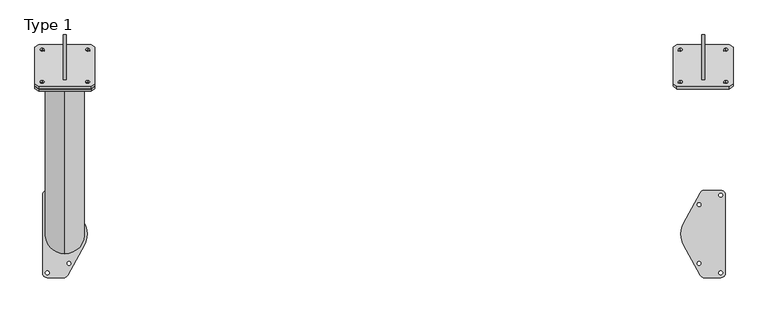
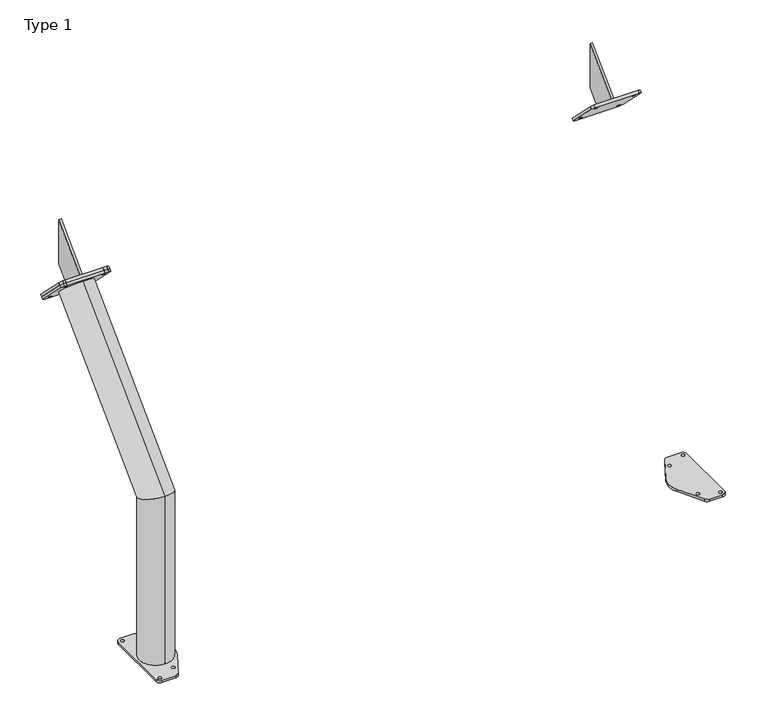
"""IFC4 building model written with IfcOpenShell, lengths in millimetres: proxy geometry, Type 1."""

from ifc_helpers import new_model, si_unit, point, frame, frame_2d, origin, origin_with_axes, place, context, project, spatial, polyline, circle_curve, ellipse_curve, trimmed, segment, composite_curve, outline, extrude, source, transform, mapped, element, save
from ifc_brep_helpers import plane_surface, cylinder_surface, revolved_surface, advanced_brep


def type_1_502184ff(model_context):
    return source(origin(), model_context, "Body", "SolidModel", [
        advanced_brep(
        [(0.0, -832.5, 12.0), (0.0, -997.5, 12.0), (0.0, -836.5, 12.0), (0.0, -993.5, 12.0), (0.0, -832.5, 831.6547622), (0.0, -997.5, 900.0), (0.0, -170.1812409, 1493.9735213), (0.0, -286.8538598, 1610.6461402), (-110.0, -308.421007, 1649.1838503), (110.0, -308.421007, 1649.1838503), (125.0, -297.8144053, 1638.5772485), (125.0, -142.2509134, 1483.0137566), (110.0, -131.6443117, 1472.4071549), (-110.0, -131.6443117, 1472.4071549), (-125.0, -142.2509134, 1483.0137566), (-125.0, -297.8144053, 1638.5772485), (-95.0, -281.5505589, 1622.3134021), (-95.0, -292.8642674, 1633.6271106), (-95.0, -147.2002705, 1487.9631137), (-95.0, -158.513979, 1499.2768222), (95.0, -147.2002705, 1487.9631137), (95.0, -158.513979, 1499.2768222), (95.0, -292.8642674, 1633.6271106), (95.0, -281.5505589, 1622.3134021), (-110.0, -316.9062884, 1640.6985689), (-125.0, -306.2996867, 1630.0919672), (-125.0, -150.7361948, 1474.5284753), (-110.0, -140.1295931, 1463.9218736), (110.0, -140.1295931, 1463.9218736), (125.0, -150.7361948, 1474.5284753), (125.0, -306.2996867, 1630.0919672), (110.0, -316.9062884, 1640.6985689), (-95.0, -290.0358403, 1613.8281208), (-95.0, -301.3495488, 1625.1418293), (-95.0, -155.6855519, 1479.4778323), (-95.0, -166.9992604, 1490.7915408), (95.0, -155.6855519, 1479.4778323), (95.0, -166.9992604, 1490.7915408), (95.0, -301.3495488, 1625.1418293), (95.0, -290.0358403, 1613.8281208), (0.0, -284.0254326, 1607.8177131), (0.0, -173.009668, 1496.8019485), (0.0, -836.5, 833.3116165), (0.0, -993.5, 898.3431458)],
        [
            (0, 1, circle_curve(frame((0.0, -915.0, 12.0), z_axis=(0.0, 0.0, -1.0), x_axis=(0.0, -1.0, 0.0)), 82.5)),
            (1, 0, circle_curve(frame((0.0, -915.0, 12.0), z_axis=(0.0, 0.0, -1.0), x_axis=(0.0, -1.0, 0.0)), 82.5)),
            (2, 3, circle_curve(frame((0.0, -915.0, 12.0), z_axis=(0.0, 0.0, 1.0), x_axis=(0.0, -1.0, 0.0)), 78.5)),
            (3, 2, circle_curve(frame((0.0, -915.0, 12.0), z_axis=(0.0, 0.0, 1.0), x_axis=(0.0, -1.0, 0.0)), 78.5)),
            (0, 4),
            (4, 5, ellipse_curve(frame((0.0, -915.0, 865.8273811), z_axis=(0.0, -0.38268343236508984, -0.9238795325112867), x_axis=(0.0, 0.9238795325112868, -0.3826834323650898)), 89.2973565, 82.5)),
            (5, 1),
            (5, 4, ellipse_curve(frame((0.0, -915.0, 865.8273811), z_axis=(0.0, -0.38268343236508984, -0.9238795325112867), x_axis=(0.0, 0.9238795325112868, -0.3826834323650898)), 89.2973565, 82.5)),
            (4, 6),
            (6, 7, circle_curve(frame((0.0, -228.5175503, 1552.3098308), z_axis=(0.0, -0.7071067811865476, -0.7071067811865476), x_axis=(0.0, -0.7071067811865476, 0.7071067811865476)), 82.5)),
            (7, 5),
            (7, 6, circle_curve(frame((0.0, -228.5175503, 1552.3098308), z_axis=(0.0, -0.7071067811865476, -0.7071067811865476), x_axis=(0.0, -0.7071067811865476, 0.7071067811865476)), 82.5)),
            (8, 9),
            (9, 10),
            (10, 11),
            (11, 12),
            (12, 13),
            (13, 14),
            (14, 15),
            (15, 8),
            (16, 17, circle_curve(frame((-95.0, -287.2074132, 1627.9702564), z_axis=(0.0, -0.7071067811865476, -0.7071067811865476), x_axis=(1.0, 0.0, 0.0)), 8.0)),
            (17, 16, circle_curve(frame((-95.0, -287.2074132, 1627.9702564), z_axis=(0.0, -0.7071067811865476, -0.7071067811865476), x_axis=(1.0, 0.0, 0.0)), 8.0)),
            (18, 19, circle_curve(frame((-95.0, -152.8571247, 1493.619968), z_axis=(0.0, -0.7071067811865476, -0.7071067811865476), x_axis=(1.0, 0.0, 0.0)), 8.0)),
            (19, 18, circle_curve(frame((-95.0, -152.8571247, 1493.619968), z_axis=(0.0, -0.7071067811865476, -0.7071067811865476), x_axis=(1.0, 0.0, 0.0)), 8.0)),
            (20, 21, circle_curve(frame((95.0, -152.8571247, 1493.619968), z_axis=(0.0, -0.7071067811865476, -0.7071067811865476), x_axis=(1.0, 0.0, 0.0)), 8.0)),
            (21, 20, circle_curve(frame((95.0, -152.8571247, 1493.619968), z_axis=(0.0, -0.7071067811865476, -0.7071067811865476), x_axis=(1.0, 0.0, 0.0)), 8.0)),
            (22, 23, circle_curve(frame((95.0, -287.2074132, 1627.9702564), z_axis=(0.0, -0.7071067811865476, -0.7071067811865476), x_axis=(1.0, 0.0, 0.0)), 8.0)),
            (23, 22, circle_curve(frame((95.0, -287.2074132, 1627.9702564), z_axis=(0.0, -0.7071067811865476, -0.7071067811865476), x_axis=(1.0, 0.0, 0.0)), 8.0)),
            (24, 25),
            (25, 26),
            (26, 27),
            (27, 28),
            (28, 29),
            (29, 30),
            (30, 31),
            (31, 24),
            (32, 33, circle_curve(frame((-95.0, -295.6926945, 1619.484975), z_axis=(0.0, 0.7071067811865476, 0.7071067811865476), x_axis=(1.0, 0.0, 0.0)), 8.0)),
            (33, 32, circle_curve(frame((-95.0, -295.6926945, 1619.484975), z_axis=(0.0, 0.7071067811865476, 0.7071067811865476), x_axis=(1.0, 0.0, 0.0)), 8.0)),
            (34, 35, circle_curve(frame((-95.0, -161.3424061, 1485.1346866), z_axis=(0.0, 0.7071067811865476, 0.7071067811865476), x_axis=(1.0, 0.0, 0.0)), 8.0)),
            (35, 34, circle_curve(frame((-95.0, -161.3424061, 1485.1346866), z_axis=(0.0, 0.7071067811865476, 0.7071067811865476), x_axis=(1.0, 0.0, 0.0)), 8.0)),
            (36, 37, circle_curve(frame((95.0, -161.3424061, 1485.1346866), z_axis=(0.0, 0.7071067811865476, 0.7071067811865476), x_axis=(1.0, 0.0, 0.0)), 8.0)),
            (37, 36, circle_curve(frame((95.0, -161.3424061, 1485.1346866), z_axis=(0.0, 0.7071067811865476, 0.7071067811865476), x_axis=(1.0, 0.0, 0.0)), 8.0)),
            (38, 39, circle_curve(frame((95.0, -295.6926945, 1619.484975), z_axis=(0.0, 0.7071067811865476, 0.7071067811865476), x_axis=(1.0, 0.0, 0.0)), 8.0)),
            (39, 38, circle_curve(frame((95.0, -295.6926945, 1619.484975), z_axis=(0.0, 0.7071067811865476, 0.7071067811865476), x_axis=(1.0, 0.0, 0.0)), 8.0)),
            (40, 41, circle_curve(frame((0.0, -228.5175503, 1552.3098308), z_axis=(0.0, -0.7071067811865476, -0.7071067811865476), x_axis=(0.0, -0.7071067811865476, 0.7071067811865476)), 78.5)),
            (41, 40, circle_curve(frame((0.0, -228.5175503, 1552.3098308), z_axis=(0.0, -0.7071067811865476, -0.7071067811865476), x_axis=(0.0, -0.7071067811865476, 0.7071067811865476)), 78.5)),
            (8, 24),
            (31, 9),
            (30, 10),
            (29, 11),
            (28, 12),
            (27, 13),
            (26, 14),
            (25, 15),
            (16, 32),
            (33, 17),
            (18, 34),
            (35, 19),
            (20, 36),
            (37, 21),
            (22, 38),
            (39, 23),
            (2, 42),
            (42, 43, ellipse_curve(frame((0.0, -915.0, 865.8273811), z_axis=(0.0, 0.38268343236508984, 0.9238795325112867), x_axis=(0.0, -0.9238795325112868, 0.3826834323650898)), 84.9677877, 78.5)),
            (43, 3),
            (43, 42, ellipse_curve(frame((0.0, -915.0, 865.8273811), z_axis=(0.0, 0.38268343236508984, 0.9238795325112867), x_axis=(0.0, -0.9238795325112868, 0.3826834323650898)), 84.9677877, 78.5)),
            (42, 41),
            (40, 43),
        ],
        [
            plane_surface(frame((0.0, -915.0, 12.0), z_axis=(0.0, 0.0, -1.0), x_axis=(1.0, 0.0, 0.0))),
            cylinder_surface(frame((0.0, -915.0, 12.0), z_axis=(0.0, 0.0, -1.0), x_axis=(0.0, -1.0, 0.0)), 82.5),
            cylinder_surface(frame((0.0, -915.0, 865.8273811), z_axis=(0.0, -0.7071067811865476, -0.7071067811865476), x_axis=(0.0, -0.7071067811865476, 0.7071067811865476)), 82.5),
            plane_surface(frame((110.0, -308.421007, 1649.1838503), z_axis=(0.0, 0.7071067811865476, 0.7071067811865476), x_axis=(1.0, 0.0, 0.0))),
            plane_surface(frame((110.0, -316.9062884, 1640.6985689), z_axis=(0.0, -0.7071067811865476, -0.7071067811865476), x_axis=(-1.0, 0.0, 0.0))),
            plane_surface(frame((-110.0, -308.421007, 1649.1838503), z_axis=(0.0, -0.7071067811865476, 0.7071067811865476), x_axis=(0.0, -0.7071067811865476, -0.7071067811865476))),
            plane_surface(frame((110.0, -308.421007, 1649.1838503), z_axis=(0.7071067811865595, -0.49999999999999156, 0.49999999999999156), x_axis=(0.0, -0.7071067811865476, -0.7071067811865476))),
            plane_surface(frame((125.0, -297.8144053, 1638.5772485), z_axis=(1.0000000000000002, 0.0, 0.0), x_axis=(0.0, -0.7071067811865476, -0.7071067811865476))),
            plane_surface(frame((125.0, -142.2509134, 1483.0137566), z_axis=(0.707106781186533, 0.5000000000000104, -0.5000000000000104), x_axis=(0.0, -0.7071067811865476, -0.7071067811865476))),
            plane_surface(frame((110.0, -131.6443117, 1472.4071549), z_axis=(0.0, 0.7071067811865476, -0.7071067811865476), x_axis=(0.0, -0.7071067811865476, -0.7071067811865476))),
            plane_surface(frame((-110.0, -131.6443117, 1472.4071549), z_axis=(-0.7071067811865401, 0.5000000000000053, -0.5000000000000053), x_axis=(0.0, -0.7071067811865476, -0.7071067811865476))),
            plane_surface(frame((-125.0, -142.2509134, 1483.0137566), z_axis=(-1.0000000000000002, 0.0, 0.0), x_axis=(0.0, -0.7071067811865476, -0.7071067811865476))),
            plane_surface(frame((-125.0, -297.8144053, 1638.5772485), z_axis=(-0.7071067811865421, -0.500000000000004, 0.500000000000004), x_axis=(0.0, -0.7071067811865476, -0.7071067811865476))),
            revolved_surface(polyline([(-87.0, -295.6926945000001, 1619.484975), (-87.0, -287.20741315, 1627.97025635)]), (-95.0, -295.6926945, 1619.484975), (0.0, -0.7071067811865476, -0.7071067811865476)),
            revolved_surface(polyline([(-87.0, -161.34240615, 1485.13468655), (-87.0, -152.85712469999996, 1493.619968)]), (-95.0, -161.3424061, 1485.1346866), (0.0, -0.7071067811865476, -0.7071067811865476)),
            revolved_surface(polyline([(103.0, -161.34240615, 1485.13468655), (103.0, -152.85712469999996, 1493.619968)]), (95.0, -161.3424061, 1485.1346866), (0.0, -0.7071067811865476, -0.7071067811865476)),
            revolved_surface(polyline([(103.0, -295.6926945000001, 1619.484975), (103.0, -287.20741315, 1627.97025635)]), (95.0, -295.6926945, 1619.484975), (0.0, -0.7071067811865476, -0.7071067811865476)),
            revolved_surface(polyline([(0.0, -993.5, 898.3431458), (0.0, -993.5, 12.0)]), (0.0, -915.0, 12.0), (0.0, 0.0, 1.0)),
            revolved_surface(polyline([(0.0, -284.02543262314396, 1607.8177131231441), (0.0, -993.4999999937891, 898.343145752499)]), (0.0, -915.0, 865.8273811), (0.0, 0.7071067811865476, 0.7071067811865476)),
        ],
        [
            (0, [[1, 2], [3, 4]]),
            (1, [[-1, 5, 6, 7]]),
            (1, [[-2, -7, 8, -5]]),
            (2, [[-6, 9, 10, 11]]),
            (2, [[-8, -11, 12, -9]]),
            (3, [[13, 14, 15, 16, 17, 18, 19, 20], [21, 22], [23, 24], [25, 26], [27, 28]]),
            (4, [[29, 30, 31, 32, 33, 34, 35, 36], [-10, -12], [37, 38], [39, 40], [41, 42], [43, 44]]),
            (4, [[45, 46]]),
            (5, [[-13, 47, -36, 48]]),
            (6, [[-14, -48, -35, 49]]),
            (7, [[-15, -49, -34, 50]]),
            (8, [[-16, -50, -33, 51]]),
            (9, [[-17, -51, -32, 52]]),
            (10, [[-18, -52, -31, 53]]),
            (11, [[-19, -53, -30, 54]]),
            (12, [[-20, -54, -29, -47]]),
            (13, [[-21, 55, -38, 56]]),
            (13, [[-22, -56, -37, -55]]),
            (14, [[-23, 57, -40, 58]]),
            (14, [[-24, -58, -39, -57]]),
            (15, [[-25, 59, -42, 60]]),
            (15, [[-26, -60, -41, -59]]),
            (16, [[-27, 61, -44, 62]]),
            (16, [[-28, -62, -43, -61]]),
            (17, [[-3, 63, 64, 65]]),
            (17, [[-4, -65, 66, -63]]),
            (18, [[-64, 67, -45, 68]]),
            (18, [[-66, -68, -46, -67]]),
        ],
    ),
        advanced_brep(
        [(6.0, -82.5, 1815.0), (6.0, -269.883297, 1627.616703), (6.0, -153.2106781, 1510.9440841), (6.0, -82.5, 1581.6547622), (-6.0, -82.5, 1815.0), (-6.0, -82.5, 1581.6547622), (-6.0, -153.2106781, 1510.9440841), (-6.0, -269.883297, 1627.616703), (-110.0, -308.4206166, 1649.1834598), (-125.0, -297.8140149, 1638.5768581), (-125.0, -142.250523, 1483.0133662), (-110.0, -131.6439213, 1472.4067645), (110.0, -131.6439213, 1472.4067645), (125.0, -142.250523, 1483.0133662), (125.0, -297.8140149, 1638.5768581), (110.0, -308.4206166, 1649.1834598), (-95.0, -281.5505589, 1622.3134021), (-95.0, -292.8642674, 1633.6271106), (-95.0, -147.2002705, 1487.9631137), (-95.0, -158.513979, 1499.2768222), (95.0, -147.2002705, 1487.9631137), (95.0, -158.513979, 1499.2768222), (95.0, -281.5505589, 1622.3134021), (95.0, -292.8642674, 1633.6271106), (-110.0, -299.9353352, 1657.6687412), (110.0, -299.9353352, 1657.6687412), (125.0, -289.3287335, 1647.0621395), (125.0, -133.7652416, 1491.4986476), (110.0, -123.1586399, 1480.8920459), (-110.0, -123.1586399, 1480.8920459), (-125.0, -133.7652416, 1491.4986476), (-125.0, -289.3287335, 1647.0621395), (-95.0, -273.0652775, 1630.7986835), (-95.0, -284.378986, 1642.112392), (-95.0, -138.7149891, 1496.4483951), (-95.0, -150.0286976, 1507.7621036), (95.0, -138.7149891, 1496.4483951), (95.0, -150.0286976, 1507.7621036), (95.0, -273.0652775, 1630.7986835), (95.0, -284.378986, 1642.112392)],
        [
            (0, 1),
            (1, 2),
            (2, 3),
            (3, 0),
            (4, 5),
            (5, 6),
            (6, 7),
            (7, 4),
            (0, 4),
            (7, 1),
            (2, 6),
            (5, 3),
            (8, 9),
            (9, 10),
            (10, 11),
            (11, 12),
            (12, 13),
            (13, 14),
            (14, 15),
            (15, 8),
            (16, 17, circle_curve(frame((-95.0, -287.2074132, 1627.9702564), z_axis=(0.0, 0.7071067811865456, 0.7071067811865495), x_axis=(0.0, -0.7071067811865495, 0.7071067811865456)), 8.0)),
            (17, 16, circle_curve(frame((-95.0, -287.2074132, 1627.9702564), z_axis=(0.0, 0.7071067811865456, 0.7071067811865495), x_axis=(0.0, -0.7071067811865495, 0.7071067811865456)), 8.0)),
            (18, 19, circle_curve(frame((-95.0, -152.8571247, 1493.619968), z_axis=(0.0, 0.7071067811865456, 0.7071067811865495), x_axis=(0.0, -0.7071067811865495, 0.7071067811865456)), 8.0)),
            (19, 18, circle_curve(frame((-95.0, -152.8571247, 1493.619968), z_axis=(0.0, 0.7071067811865456, 0.7071067811865495), x_axis=(0.0, -0.7071067811865495, 0.7071067811865456)), 8.0)),
            (20, 21, circle_curve(frame((95.0, -152.8571247, 1493.619968), z_axis=(0.0, 0.7071067811865456, 0.7071067811865495), x_axis=(0.0, -0.7071067811865495, 0.7071067811865456)), 8.0)),
            (21, 20, circle_curve(frame((95.0, -152.8571247, 1493.619968), z_axis=(0.0, 0.7071067811865456, 0.7071067811865495), x_axis=(0.0, -0.7071067811865495, 0.7071067811865456)), 8.0)),
            (22, 23, circle_curve(frame((95.0, -287.2074132, 1627.9702564), z_axis=(0.0, 0.7071067811865456, 0.7071067811865495), x_axis=(0.0, -0.7071067811865495, 0.7071067811865456)), 8.0)),
            (23, 22, circle_curve(frame((95.0, -287.2074132, 1627.9702564), z_axis=(0.0, 0.7071067811865456, 0.7071067811865495), x_axis=(0.0, -0.7071067811865495, 0.7071067811865456)), 8.0)),
            (24, 25),
            (25, 26),
            (26, 27),
            (27, 28),
            (28, 29),
            (29, 30),
            (30, 31),
            (31, 24),
            (32, 33, circle_curve(frame((-95.0, -278.7221318, 1636.4555378), z_axis=(0.0, -0.7071067811865456, -0.7071067811865495), x_axis=(0.0, -0.7071067811865495, 0.7071067811865456)), 8.0)),
            (33, 32, circle_curve(frame((-95.0, -278.7221318, 1636.4555378), z_axis=(0.0, -0.7071067811865456, -0.7071067811865495), x_axis=(0.0, -0.7071067811865495, 0.7071067811865456)), 8.0)),
            (34, 35, circle_curve(frame((-95.0, -144.3718434, 1502.1052493), z_axis=(0.0, -0.7071067811865456, -0.7071067811865495), x_axis=(0.0, -0.7071067811865495, 0.7071067811865456)), 8.0)),
            (35, 34, circle_curve(frame((-95.0, -144.3718434, 1502.1052493), z_axis=(0.0, -0.7071067811865456, -0.7071067811865495), x_axis=(0.0, -0.7071067811865495, 0.7071067811865456)), 8.0)),
            (36, 37, circle_curve(frame((95.0, -144.3718434, 1502.1052493), z_axis=(0.0, -0.7071067811865456, -0.7071067811865495), x_axis=(0.0, -0.7071067811865495, 0.7071067811865456)), 8.0)),
            (37, 36, circle_curve(frame((95.0, -144.3718434, 1502.1052493), z_axis=(0.0, -0.7071067811865456, -0.7071067811865495), x_axis=(0.0, -0.7071067811865495, 0.7071067811865456)), 8.0)),
            (38, 39, circle_curve(frame((95.0, -278.7221318, 1636.4555378), z_axis=(0.0, -0.7071067811865456, -0.7071067811865495), x_axis=(0.0, -0.7071067811865495, 0.7071067811865456)), 8.0)),
            (39, 38, circle_curve(frame((95.0, -278.7221318, 1636.4555378), z_axis=(0.0, -0.7071067811865456, -0.7071067811865495), x_axis=(0.0, -0.7071067811865495, 0.7071067811865456)), 8.0)),
            (8, 24),
            (31, 9),
            (30, 10),
            (29, 11),
            (28, 12),
            (27, 13),
            (26, 14),
            (25, 15),
            (16, 32),
            (33, 17),
            (18, 34),
            (35, 19),
            (20, 36),
            (37, 21),
            (22, 38),
            (39, 23),
        ],
        [
            plane_surface(frame((6.0, -269.883297, 1627.616703), z_axis=(1.0, 0.0, 0.0), x_axis=(0.0, -0.7071067811865375, -0.7071067811865576))),
            plane_surface(frame((-6.0, -269.883297, 1627.616703), z_axis=(-1.0, 0.0, 0.0), x_axis=(0.0, 0.7071067811865375, 0.7071067811865576))),
            plane_surface(frame((6.0, -82.5, 1815.0), z_axis=(0.0, -0.7071067811865576, 0.7071067811865375), x_axis=(-1.0, 0.0, 0.0))),
            plane_surface(frame((6.0, -153.2106781, 1510.9440841), z_axis=(0.0, 0.7071067811865466, -0.7071067811865485), x_axis=(-1.0, 0.0, 0.0))),
            plane_surface(frame((6.0, -82.5, 1581.6547622), z_axis=(0.0, 1.0, 0.0), x_axis=(-1.0, 0.0, 0.0))),
            plane_surface(frame((-125.0, -297.8140149, 1638.5768581), z_axis=(0.0, -0.7071067811865456, -0.7071067811865495), x_axis=(-0.7071067811865512, 0.4999999999999987, -0.49999999999999595))),
            plane_surface(frame((-125.0, -289.3287335, 1647.0621395), z_axis=(0.0, 0.7071067811865456, 0.7071067811865495), x_axis=(0.7071067811865512, -0.4999999999999987, 0.49999999999999595))),
            plane_surface(frame((-110.0, -308.4206166, 1649.1834598), z_axis=(-0.7071067811865439, -0.5000000000000038, 0.5000000000000017), x_axis=(0.0, 0.7071067811865461, 0.707106781186549))),
            plane_surface(frame((-125.0, -297.8140149, 1638.5768581), z_axis=(-1.0, 0.0, 0.0), x_axis=(0.0, 0.7071067811865461, 0.707106781186549))),
            plane_surface(frame((-125.0, -142.250523, 1483.0133662), z_axis=(-0.7071067811865441, 0.5000000000000033, -0.500000000000002), x_axis=(0.0, 0.7071067811865476, 0.7071067811865476))),
            plane_surface(frame((-110.0, -131.6439213, 1472.4067645), z_axis=(0.0, 0.7071067811865503, -0.7071067811865447), x_axis=(0.0, 0.7071067811865447, 0.7071067811865503))),
            plane_surface(frame((110.0, -131.6439213, 1472.4067645), z_axis=(0.7071067811865449, 0.500000000000003, -0.500000000000001), x_axis=(0.0, 0.7071067811865461, 0.707106781186549))),
            plane_surface(frame((125.0, -142.250523, 1483.0133662), z_axis=(1.0, 0.0, 0.0), x_axis=(0.0, 0.7071067811865447, 0.7071067811865503))),
            plane_surface(frame((125.0, -297.8140149, 1638.5768581), z_axis=(0.7071067811865447, -0.5000000000000032, 0.5000000000000012), x_axis=(0.0, 0.7071067811865461, 0.707106781186549))),
            plane_surface(frame((110.0, -308.4206166, 1649.1834598), z_axis=(0.0, -0.7071067811865476, 0.7071067811865476), x_axis=(0.0, 0.7071067811865476, 0.7071067811865476))),
            revolved_surface(polyline([(-95.0, -284.37898604949237, 1642.1123920494924), (-95.0, -292.8642674494924, 1633.6271106494924)]), (-95.0, -278.7221318, 1636.4555378), (0.0, 0.7071067811865456, 0.7071067811865495)),
            revolved_surface(polyline([(-95.0, -150.02869759949232, 1507.7621035994925), (-95.0, -158.51397899949242, 1499.2768221994922)]), (-95.0, -144.3718434, 1502.1052493), (0.0, 0.7071067811865456, 0.7071067811865495)),
            revolved_surface(polyline([(95.0, -150.02869759949232, 1507.7621035994925), (95.0, -158.51397899949242, 1499.2768221994922)]), (95.0, -144.3718434, 1502.1052493), (0.0, 0.7071067811865456, 0.7071067811865495)),
            revolved_surface(polyline([(95.0, -284.37898604949237, 1642.1123920494924), (95.0, -292.8642674494924, 1633.6271106494924)]), (95.0, -278.7221318, 1636.4555378), (0.0, 0.7071067811865456, 0.7071067811865495)),
        ],
        [
            (0, [[1, 2, 3, 4]]),
            (1, [[5, 6, 7, 8]]),
            (2, [[-1, 9, -8, 10]]),
            (3, [[-3, 11, -6, 12]]),
            (4, [[-4, -12, -5, -9]]),
            (5, [[13, 14, 15, 16, 17, 18, 19, 20], [21, 22], [23, 24], [25, 26], [27, 28]]),
            (6, [[29, 30, 31, 32, 33, 34, 35, 36], [-2, -10, -7, -11], [37, 38], [39, 40], [41, 42], [43, 44]]),
            (7, [[-13, 45, -36, 46]]),
            (8, [[-14, -46, -35, 47]]),
            (9, [[-15, -47, -34, 48]]),
            (10, [[-16, -48, -33, 49]]),
            (11, [[-17, -49, -32, 50]]),
            (12, [[-18, -50, -31, 51]]),
            (13, [[-19, -51, -30, 52]]),
            (14, [[-20, -52, -29, -45]]),
            (15, [[-21, 53, -38, 54]]),
            (15, [[-22, -54, -37, -53]]),
            (16, [[-23, 55, -40, 56]]),
            (16, [[-24, -56, -39, -55]]),
            (17, [[-25, 57, -42, 58]]),
            (17, [[-26, -58, -41, -57]]),
            (18, [[-27, 59, -44, 60]]),
            (18, [[-28, -60, -43, -59]]),
        ],
    ),
        advanced_brep(
        [(2671.0, -82.5, 1815.0), (2671.0, -269.883297, 1627.616703), (2671.0, -153.2106781, 1510.9440841), (2671.0, -82.5, 1581.6547622), (2659.0, -82.5, 1815.0), (2659.0, -82.5, 1581.6547622), (2659.0, -153.2106781, 1510.9440841), (2659.0, -269.883297, 1627.616703), (2790.0, -297.8140149, 1638.5768581), (2775.0, -308.4206166, 1649.1834598), (2555.0, -308.4206166, 1649.1834598), (2540.0, -297.8140149, 1638.5768581), (2540.0, -142.250523, 1483.0133662), (2555.0, -131.6439213, 1472.4067645), (2775.0, -131.6439213, 1472.4067645), (2790.0, -142.250523, 1483.0133662), (2570.0, -292.8642674, 1633.6271106), (2570.0, -281.5505589, 1622.3134021), (2570.0, -158.513979, 1499.2768222), (2570.0, -147.2002705, 1487.9631137), (2760.0, -158.513979, 1499.2768222), (2760.0, -147.2002705, 1487.9631137), (2760.0, -292.8642674, 1633.6271106), (2760.0, -281.5505589, 1622.3134021), (2790.0, -289.3287335, 1647.0621395), (2790.0, -133.7652416, 1491.4986476), (2775.0, -123.1586399, 1480.8920459), (2555.0, -123.1586399, 1480.8920459), (2540.0, -133.7652416, 1491.4986476), (2540.0, -289.3287335, 1647.0621395), (2555.0, -299.9353352, 1657.6687412), (2775.0, -299.9353352, 1657.6687412), (2570.0, -284.378986, 1642.112392), (2570.0, -273.0652775, 1630.7986835), (2570.0, -150.0286976, 1507.7621036), (2570.0, -138.7149891, 1496.4483951), (2760.0, -150.0286976, 1507.7621036), (2760.0, -138.7149891, 1496.4483951), (2760.0, -284.378986, 1642.112392), (2760.0, -273.0652775, 1630.7986835)],
        [
            (0, 1),
            (1, 2),
            (2, 3),
            (3, 0),
            (4, 5),
            (5, 6),
            (6, 7),
            (7, 4),
            (0, 4),
            (7, 1),
            (2, 6),
            (5, 3),
            (8, 9),
            (9, 10),
            (10, 11),
            (11, 12),
            (12, 13),
            (13, 14),
            (14, 15),
            (15, 8),
            (16, 17, circle_curve(frame((2570.0, -287.2074132, 1627.9702564), z_axis=(0.0, 0.7071067811865867, 0.7071067811865085), x_axis=(0.0, 0.7071067811865085, -0.7071067811865867)), 8.0)),
            (17, 16, circle_curve(frame((2570.0, -287.2074132, 1627.9702564), z_axis=(0.0, 0.7071067811865867, 0.7071067811865085), x_axis=(0.0, 0.7071067811865085, -0.7071067811865867)), 8.0)),
            (18, 19, circle_curve(frame((2570.0, -152.8571247, 1493.619968), z_axis=(0.0, 0.7071067811865867, 0.7071067811865085), x_axis=(0.0, 0.7071067811865085, -0.7071067811865867)), 8.0)),
            (19, 18, circle_curve(frame((2570.0, -152.8571247, 1493.619968), z_axis=(0.0, 0.7071067811865867, 0.7071067811865085), x_axis=(0.0, 0.7071067811865085, -0.7071067811865867)), 8.0)),
            (20, 21, circle_curve(frame((2760.0, -152.8571247, 1493.619968), z_axis=(0.0, 0.7071067811865867, 0.7071067811865085), x_axis=(0.0, 0.7071067811865085, -0.7071067811865867)), 8.0)),
            (21, 20, circle_curve(frame((2760.0, -152.8571247, 1493.619968), z_axis=(0.0, 0.7071067811865867, 0.7071067811865085), x_axis=(0.0, 0.7071067811865085, -0.7071067811865867)), 8.0)),
            (22, 23, circle_curve(frame((2760.0, -287.2074132, 1627.9702564), z_axis=(0.0, 0.7071067811865867, 0.7071067811865085), x_axis=(0.0, 0.7071067811865085, -0.7071067811865867)), 8.0)),
            (23, 22, circle_curve(frame((2760.0, -287.2074132, 1627.9702564), z_axis=(0.0, 0.7071067811865867, 0.7071067811865085), x_axis=(0.0, 0.7071067811865085, -0.7071067811865867)), 8.0)),
            (24, 25),
            (25, 26),
            (26, 27),
            (27, 28),
            (28, 29),
            (29, 30),
            (30, 31),
            (31, 24),
            (32, 33, circle_curve(frame((2570.0, -278.7221318, 1636.4555378), z_axis=(0.0, -0.7071067811865867, -0.7071067811865085), x_axis=(0.0, 0.7071067811865085, -0.7071067811865867)), 8.0)),
            (33, 32, circle_curve(frame((2570.0, -278.7221318, 1636.4555378), z_axis=(0.0, -0.7071067811865867, -0.7071067811865085), x_axis=(0.0, 0.7071067811865085, -0.7071067811865867)), 8.0)),
            (34, 35, circle_curve(frame((2570.0, -144.3718434, 1502.1052493), z_axis=(0.0, -0.7071067811865867, -0.7071067811865085), x_axis=(0.0, 0.7071067811865085, -0.7071067811865867)), 8.0)),
            (35, 34, circle_curve(frame((2570.0, -144.3718434, 1502.1052493), z_axis=(0.0, -0.7071067811865867, -0.7071067811865085), x_axis=(0.0, 0.7071067811865085, -0.7071067811865867)), 8.0)),
            (36, 37, circle_curve(frame((2760.0, -144.3718434, 1502.1052493), z_axis=(0.0, -0.7071067811865867, -0.7071067811865085), x_axis=(0.0, 0.7071067811865085, -0.7071067811865867)), 8.0)),
            (37, 36, circle_curve(frame((2760.0, -144.3718434, 1502.1052493), z_axis=(0.0, -0.7071067811865867, -0.7071067811865085), x_axis=(0.0, 0.7071067811865085, -0.7071067811865867)), 8.0)),
            (38, 39, circle_curve(frame((2760.0, -278.7221318, 1636.4555378), z_axis=(0.0, -0.7071067811865867, -0.7071067811865085), x_axis=(0.0, 0.7071067811865085, -0.7071067811865867)), 8.0)),
            (39, 38, circle_curve(frame((2760.0, -278.7221318, 1636.4555378), z_axis=(0.0, -0.7071067811865867, -0.7071067811865085), x_axis=(0.0, 0.7071067811865085, -0.7071067811865867)), 8.0)),
            (8, 24),
            (31, 9),
            (30, 10),
            (29, 11),
            (28, 12),
            (27, 13),
            (26, 14),
            (25, 15),
            (16, 32),
            (33, 17),
            (18, 34),
            (35, 19),
            (20, 36),
            (37, 21),
            (22, 38),
            (39, 23),
        ],
        [
            plane_surface(frame((2671.0, -82.5, 1815.0), z_axis=(1.0000000000000002, 0.0, 0.0), x_axis=(0.0, -0.7071067811865771, -0.707106781186518))),
            plane_surface(frame((2659.0, -82.5, 1815.0), z_axis=(-1.0000000000000002, 0.0, 0.0), x_axis=(0.0, 0.7071067811865771, 0.707106781186518))),
            plane_surface(frame((2671.0, -82.5, 1815.0), z_axis=(0.0, -0.707106781186518, 0.7071067811865771), x_axis=(-1.0, 0.0, 0.0))),
            plane_surface(frame((2671.0, -153.2106781, 1510.9440841), z_axis=(0.0, 0.7071067811865321, -0.7071067811865629), x_axis=(-1.0, 0.0, 0.0))),
            plane_surface(frame((2671.0, -82.5, 1581.6547622), z_axis=(0.0, 1.0, 0.0), x_axis=(-1.0, 0.0, 0.0))),
            plane_surface(frame((2775.0, -308.4206166, 1649.1834598), z_axis=(0.0, -0.7071067811865867, -0.7071067811865086), x_axis=(-0.7071067811864251, -0.500000000000058, 0.5000000000001151))),
            plane_surface(frame((2775.0, -299.9353352, 1657.6687412), z_axis=(0.0, 0.7071067811865867, 0.7071067811865086), x_axis=(0.7071067811864251, 0.500000000000058, -0.5000000000001151))),
            plane_surface(frame((2790.0, -297.8140149, 1638.5768581), z_axis=(0.70710678118667, -0.4999999999998846, 0.4999999999999424), x_axis=(0.0, 0.7071067811865884, 0.7071067811865067))),
            plane_surface(frame((2775.0, -308.4206166, 1649.1834598), z_axis=(0.0, -0.7071067811865067, 0.7071067811865884), x_axis=(0.0, 0.7071067811865884, 0.7071067811865067))),
            plane_surface(frame((2555.0, -308.4206166, 1649.1834598), z_axis=(-0.7071067811865474, -0.4999999999999704, 0.5000000000000302), x_axis=(0.0, 0.7071067811865899, 0.7071067811865053))),
            plane_surface(frame((2540.0, -297.8140149, 1638.5768581), z_axis=(-1.0, 0.0, 0.0), x_axis=(0.0, 0.7071067811865884, 0.7071067811865067))),
            plane_surface(frame((2540.0, -142.250523, 1483.0133662), z_axis=(-0.7071067811865088, 0.4999999999999995, -0.5000000000000553), x_axis=(0.0, 0.707106781186587, 0.707106781186508))),
            plane_surface(frame((2555.0, -131.6439213, 1472.4067645), z_axis=(0.0, 0.7071067811865067, -0.7071067811865884), x_axis=(0.0, 0.7071067811865884, 0.7071067811865067))),
            plane_surface(frame((2775.0, -131.6439213, 1472.4067645), z_axis=(0.7071067811866893, 0.499999999999871, -0.4999999999999288), x_axis=(0.0, 0.7071067811865884, 0.7071067811865067))),
            plane_surface(frame((2790.0, -142.250523, 1483.0133662), z_axis=(1.0, 0.0, 0.0), x_axis=(0.0, 0.7071067811865884, 0.7071067811865067))),
            revolved_surface(polyline([(2570.0, -273.06527755050763, 1630.7986835505076), (2570.0, -281.55055895050873, 1622.3134021505075)]), (2570.0, -278.7221318, 1636.4555378), (0.0, 0.7071067811865867, 0.7071067811865085)),
            revolved_surface(polyline([(2570.0, -138.7149891005076, 1496.4483951005077), (2570.0, -147.20027050050874, 1487.9631137005074)]), (2570.0, -144.3718434, 1502.1052493), (0.0, 0.7071067811865867, 0.7071067811865085)),
            revolved_surface(polyline([(2760.0, -138.7149891005076, 1496.4483951005077), (2760.0, -147.20027050050874, 1487.9631137005074)]), (2760.0, -144.3718434, 1502.1052493), (0.0, 0.7071067811865867, 0.7071067811865085)),
            revolved_surface(polyline([(2760.0, -273.06527755050763, 1630.7986835505076), (2760.0, -281.55055895050873, 1622.3134021505075)]), (2760.0, -278.7221318, 1636.4555378), (0.0, 0.7071067811865867, 0.7071067811865085)),
        ],
        [
            (0, [[1, 2, 3, 4]]),
            (1, [[5, 6, 7, 8]]),
            (2, [[-1, 9, -8, 10]]),
            (3, [[-3, 11, -6, 12]]),
            (4, [[-4, -12, -5, -9]]),
            (5, [[13, 14, 15, 16, 17, 18, 19, 20], [21, 22], [23, 24], [25, 26], [27, 28]]),
            (6, [[29, 30, 31, 32, 33, 34, 35, 36], [-2, -10, -7, -11], [37, 38], [39, 40], [41, 42], [43, 44]]),
            (7, [[-13, 45, -36, 46]]),
            (8, [[-14, -46, -35, 47]]),
            (9, [[-15, -47, -34, 48]]),
            (10, [[-16, -48, -33, 49]]),
            (11, [[-17, -49, -32, 50]]),
            (12, [[-18, -50, -31, 51]]),
            (13, [[-19, -51, -30, 52]]),
            (14, [[-20, -52, -29, -45]]),
            (15, [[-21, 53, -38, 54]]),
            (15, [[-22, -54, -37, -53]]),
            (16, [[-23, 55, -40, 56]]),
            (16, [[-24, -56, -39, -55]]),
            (17, [[-25, 57, -42, 58]]),
            (17, [[-26, -58, -41, -57]]),
            (18, [[-27, 59, -44, 60]]),
            (18, [[-28, -60, -43, -59]]),
        ],
    ),
        extrude(outline(composite_curve([segment(trimmed(circle_curve(frame_2d((-73.0, -1077.5)), 20.0), [point((-73.0, -1097.5))], [point((-93.0, -1077.5))], False, "CARTESIAN"), True, "CONTINUOUS"), segment(polyline([(-93.0, -1077.5), (-93.0, -752.5)]), True, "CONTINUOUS"), segment(trimmed(circle_curve(frame_2d((-73.0, -752.5)), 20.0), [point((-93.0, -752.5))], [point((-73.0, -732.5))], False, "CARTESIAN"), True, "CONTINUOUS"), segment(polyline([(-73.0, -732.5), (-4.9864553, -732.5)]), True, "CONTINUOUS"), segment(trimmed(circle_curve(frame_2d((-4.9864553, -752.5)), 20.0), [point((-4.9864553, -732.5))], [point((12.6046976, -742.9841532))], False, "CARTESIAN"), True, "CONTINUOUS"), segment(polyline([(12.6046976, -742.9841532), (80.3527559, -868.224343)]), True, "CONTINUOUS"), segment(trimmed(circle_curve(frame_2d((0.0, -915.0477839)), 93.0), [point((80.3527559, -868.224343))], [point((80.3527559, -961.8712248))], False, "CARTESIAN"), True, "CONTINUOUS"), segment(polyline([(80.3527559, -961.8712248), (12.6563945, -1087.0158468)]), True, "CONTINUOUS"), segment(trimmed(circle_curve(frame_2d((-4.9347584, -1077.5)), 20.0), [point((12.6563945, -1087.0158468))], [point((-4.9347584, -1097.5))], False, "CARTESIAN"), True, "CONTINUOUS"), segment(polyline([(-4.9347584, -1097.5), (-73.0, -1097.5)]), True, "CONTINUOUS")], self_intersect=False), holes=[composite_curve([segment(trimmed(circle_curve(frame_2d((17.0, -792.0)), 8.0), [point((9.0, -792.0))], [point((25.0, -792.0))], True, "CARTESIAN"), True, "CONTINUOUS"), segment(trimmed(circle_curve(frame_2d((17.0, -792.0)), 8.0), [point((25.0, -792.0))], [point((9.0, -792.0))], True, "CARTESIAN"), True, "CONTINUOUS")], self_intersect=False), composite_curve([segment(trimmed(circle_curve(frame_2d((-73.0, -1077.5)), 8.0), [point((-81.0, -1077.5))], [point((-65.0, -1077.5))], True, "CARTESIAN"), True, "CONTINUOUS"), segment(trimmed(circle_curve(frame_2d((-73.0, -1077.5)), 8.0), [point((-65.0, -1077.5))], [point((-81.0, -1077.5))], True, "CARTESIAN"), True, "CONTINUOUS")], self_intersect=False), composite_curve([segment(trimmed(circle_curve(frame_2d((-73.0, -752.5)), 8.0), [point((-81.0, -752.5))], [point((-65.0, -752.5))], True, "CARTESIAN"), True, "CONTINUOUS"), segment(trimmed(circle_curve(frame_2d((-73.0, -752.5)), 8.0), [point((-65.0, -752.5))], [point((-81.0, -752.5))], True, "CARTESIAN"), True, "CONTINUOUS")], self_intersect=False), composite_curve([segment(trimmed(circle_curve(frame_2d((17.0, -1038.0)), 8.0), [point((9.0, -1038.0))], [point((25.0, -1038.0))], True, "CARTESIAN"), True, "CONTINUOUS"), segment(trimmed(circle_curve(frame_2d((17.0, -1038.0)), 8.0), [point((25.0, -1038.0))], [point((9.0, -1038.0))], True, "CARTESIAN"), True, "CONTINUOUS")], self_intersect=False)]), origin_with_axes(), (0.0, 0.0, 1.0), 12.0),
        extrude(outline(composite_curve([segment(polyline([(2738.0, -1097.5), (2669.9347584, -1097.5)]), True, "CONTINUOUS"), segment(trimmed(circle_curve(frame_2d((2669.9347584, -1077.5)), 20.0), [point((2669.9347584, -1097.5))], [point((2652.3436055, -1087.0158468))], False, "CARTESIAN"), True, "CONTINUOUS"), segment(polyline([(2652.3436055, -1087.0158468), (2584.6472441, -961.8712248)]), True, "CONTINUOUS"), segment(trimmed(circle_curve(frame_2d((2665.0, -915.0477839)), 93.0), [point((2584.6472441, -961.8712248))], [point((2584.6472441, -868.224343))], False, "CARTESIAN"), True, "CONTINUOUS"), segment(polyline([(2584.6472441, -868.224343), (2652.3953024, -742.9841532)]), True, "CONTINUOUS"), segment(trimmed(circle_curve(frame_2d((2669.9864553, -752.5)), 20.0), [point((2652.3953024, -742.9841532))], [point((2669.9864553, -732.5))], False, "CARTESIAN"), True, "CONTINUOUS"), segment(polyline([(2669.9864553, -732.5), (2738.0, -732.5)]), True, "CONTINUOUS"), segment(trimmed(circle_curve(frame_2d((2738.0, -752.5)), 20.0), [point((2738.0, -732.5))], [point((2758.0, -752.5))], False, "CARTESIAN"), True, "CONTINUOUS"), segment(polyline([(2758.0, -752.5), (2758.0, -1077.5)]), True, "CONTINUOUS"), segment(trimmed(circle_curve(frame_2d((2738.0, -1077.5)), 20.0), [point((2758.0, -1077.5))], [point((2738.0, -1097.5))], False, "CARTESIAN"), True, "CONTINUOUS")], self_intersect=False), holes=[composite_curve([segment(trimmed(circle_curve(frame_2d((2648.0, -792.0)), 8.0), [point((2640.0, -792.0))], [point((2656.0, -792.0))], True, "CARTESIAN"), True, "CONTINUOUS"), segment(trimmed(circle_curve(frame_2d((2648.0, -792.0)), 8.0), [point((2656.0, -792.0))], [point((2640.0, -792.0))], True, "CARTESIAN"), True, "CONTINUOUS")], self_intersect=False), composite_curve([segment(trimmed(circle_curve(frame_2d((2738.0, -1077.5)), 8.0), [point((2730.0, -1077.5))], [point((2746.0, -1077.5))], True, "CARTESIAN"), True, "CONTINUOUS"), segment(trimmed(circle_curve(frame_2d((2738.0, -1077.5)), 8.0), [point((2746.0, -1077.5))], [point((2730.0, -1077.5))], True, "CARTESIAN"), True, "CONTINUOUS")], self_intersect=False), composite_curve([segment(trimmed(circle_curve(frame_2d((2738.0, -752.5)), 8.0), [point((2730.0, -752.5))], [point((2746.0, -752.5))], True, "CARTESIAN"), True, "CONTINUOUS"), segment(trimmed(circle_curve(frame_2d((2738.0, -752.5)), 8.0), [point((2746.0, -752.5))], [point((2730.0, -752.5))], True, "CARTESIAN"), True, "CONTINUOUS")], self_intersect=False), composite_curve([segment(trimmed(circle_curve(frame_2d((2648.0, -1038.0)), 8.0), [point((2640.0, -1038.0))], [point((2656.0, -1038.0))], True, "CARTESIAN"), True, "CONTINUOUS"), segment(trimmed(circle_curve(frame_2d((2648.0, -1038.0)), 8.0), [point((2656.0, -1038.0))], [point((2640.0, -1038.0))], True, "CARTESIAN"), True, "CONTINUOUS")], self_intersect=False)]), origin_with_axes(), (0.0, 0.0, 1.0), 12.0),
    ])


if __name__ == "__main__":
    model = new_model("IFC4")
    model_context = context("Model", 3, world=origin())
    ifc_project = project(units=[si_unit("LENGTHUNIT", "METRE", prefix="MILLI")], contexts=[model_context])
    site = spatial("IfcSite", under=ifc_project)
    building = spatial("IfcBuilding", under=site)
    placement = place(None, origin())
    type_1_shape = type_1_502184ff(model_context)
    element("IfcBuildingElementProxy", 1, Name="Type 1", ObjectType="Type 1", at=placement, inside=building, context=model_context, shape_type="MappedRepresentation", body=[
        mapped(type_1_shape, transform((0.0, 0.0, 0.0), x_axis=(1.0, 0.0, 0.0), y_axis=(0.0, 1.0, 0.0), z_axis=(0.0, 0.0, 1.0))),
    ])
    save(model, "model.ifc")
